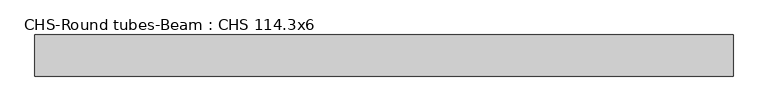
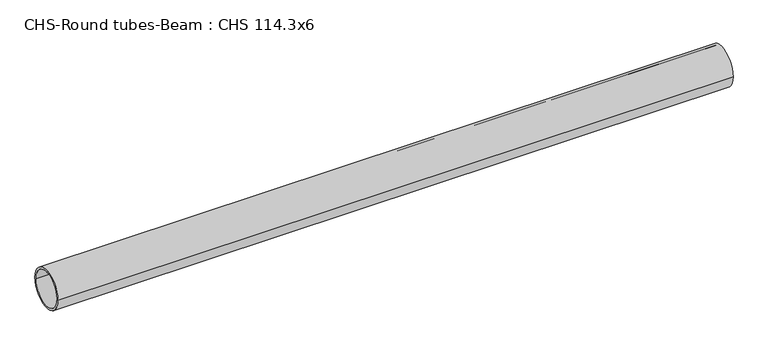
"""IFC4 building model written with IfcOpenShell, lengths in millimetres: beam geometry, CHS-Round tubes-Beam : CHS 114.3x6."""

from ifc_helpers import new_model, si_unit, point, frame, origin, origin_2d, place, context, project, spatial, circle_curve, trimmed, segment, composite_curve, outline, extrude, source, transform, mapped, element, save


def chs_round_tubes_beam_chs_114_3x6_f1db5c59(model_context):
    return source(origin(), model_context, "Body", "SweptSolid", [
        extrude(outline(composite_curve([segment(trimmed(circle_curve(origin_2d(), 57.15), [point((57.15, 0.0))], [point((-57.15, 0.0))], False, "CARTESIAN"), True, "CONTINUOUS"), segment(trimmed(circle_curve(origin_2d(), 57.15), [point((-57.15, 0.0))], [point((57.15, 0.0))], False, "CARTESIAN"), True, "CONTINUOUS")], self_intersect=False), holes=[composite_curve([segment(trimmed(circle_curve(origin_2d(), 51.15), [point((51.15, 0.0))], [point((-51.15, 0.0))], True, "CARTESIAN"), True, "CONTINUOUS"), segment(trimmed(circle_curve(origin_2d(), 51.15), [point((-51.15, 0.0))], [point((51.15, 0.0))], True, "CARTESIAN"), True, "CONTINUOUS")], self_intersect=False)]), frame((-973.3701069, 0.0, 0.0), z_axis=(1.0, 0.0, 0.0), x_axis=(0.0, 1.0, 0.0)), (0.0, 0.0, 1.0), 1939.2754852),
    ])


if __name__ == "__main__":
    model = new_model("IFC4")
    model_context = context("Model", 3, world=origin())
    ifc_project = project(units=[si_unit("LENGTHUNIT", "METRE", prefix="MILLI")], contexts=[model_context])
    site = spatial("IfcSite", under=ifc_project)
    building = spatial("IfcBuilding", under=site)
    placement = place(None, origin())
    chs_round_tubes_beam_chs_114_3x6_shape = chs_round_tubes_beam_chs_114_3x6_f1db5c59(model_context)
    element("IfcBeam", 1, ObjectType="CHS-Round tubes-Beam : CHS 114.3x6", at=placement, inside=building, context=model_context, shape_type="MappedRepresentation", body=[
        mapped(chs_round_tubes_beam_chs_114_3x6_shape, transform((0.0, 0.0, 0.0), x_axis=(1.0, 0.0, 0.0), y_axis=(0.0, 1.0, 0.0), z_axis=(0.0, 0.0, 1.0))),
    ])
    save(model, "model.ifc")
